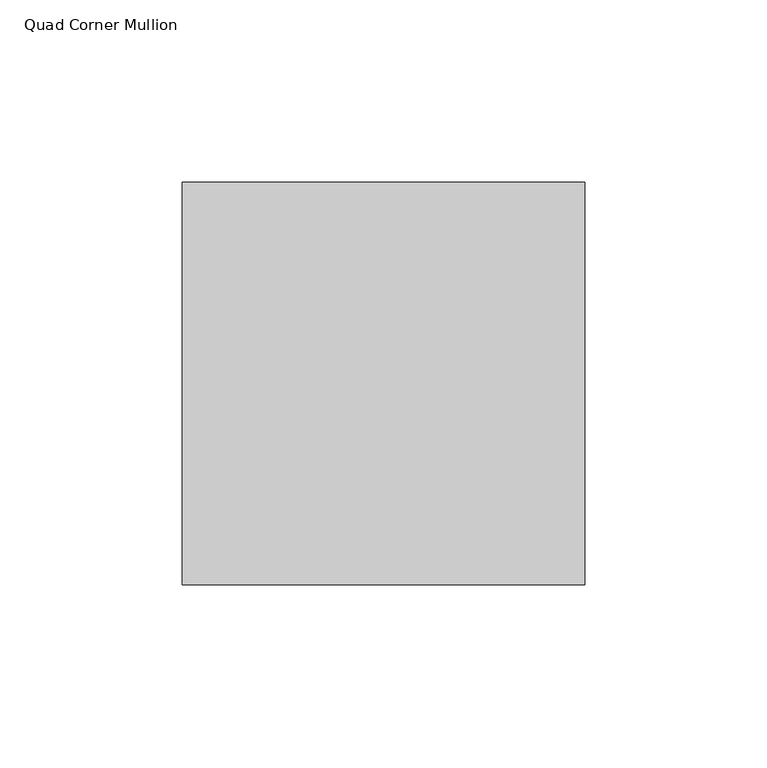
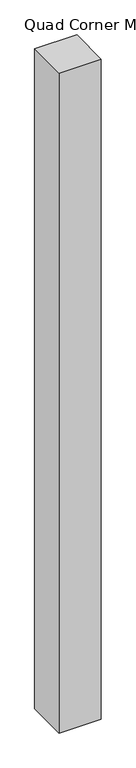
"""IFC4 building model written with IfcOpenShell, lengths in millimetres: member geometry, Quad Corner Mullion."""

from ifc_helpers import new_model, si_unit, frame, origin, place, context, project, spatial, polyline, outline, extrude, source, transform, mapped, element, save


def quad_corner_mullion_82b851d5(model_context):
    return source(origin(), model_context, "Body", "SweptSolid", [
        extrude(outline(polyline([(70.6933594, -39.7371094), (-39.7371094, -39.7371094), (-39.7371094, 70.6933594), (70.6933594, 70.6933594), (70.6933594, -39.7371094)])), frame((0.0, 0.0, -1828.8), z_axis=(0.0, 0.0, 1.0), x_axis=(1.0, 0.0, 0.0)), (0.0, 0.0, 1.0), 1828.8),
    ])


if __name__ == "__main__":
    model = new_model("IFC4")
    model_context = context("Model", 3, world=origin())
    ifc_project = project(units=[si_unit("LENGTHUNIT", "METRE", prefix="MILLI")], contexts=[model_context])
    site = spatial("IfcSite", under=ifc_project)
    building = spatial("IfcBuilding", under=site)
    placement = place(None, origin())
    quad_corner_mullion_shape = quad_corner_mullion_82b851d5(model_context)
    element("IfcMember", 1, ObjectType="Quad Corner Mullion", at=placement, inside=building, context=model_context, shape_type="MappedRepresentation", body=[
        mapped(quad_corner_mullion_shape, transform((0.0, 0.0, 0.0), x_axis=(1.0, 0.0, 0.0), y_axis=(0.0, 1.0, 0.0), z_axis=(0.0, 0.0, 1.0))),
    ])
    save(model, "model.ifc")
